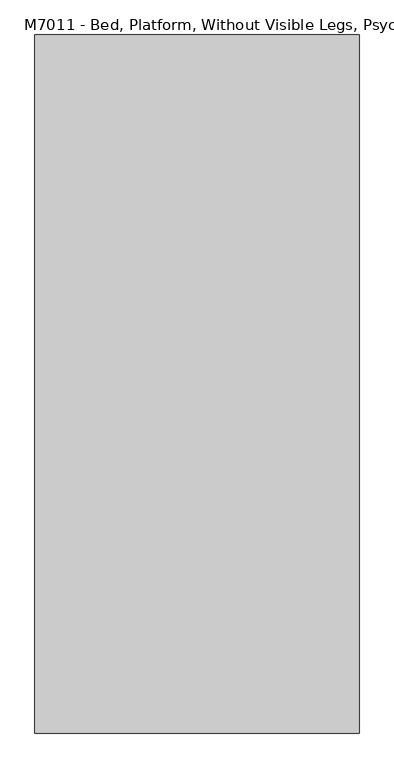
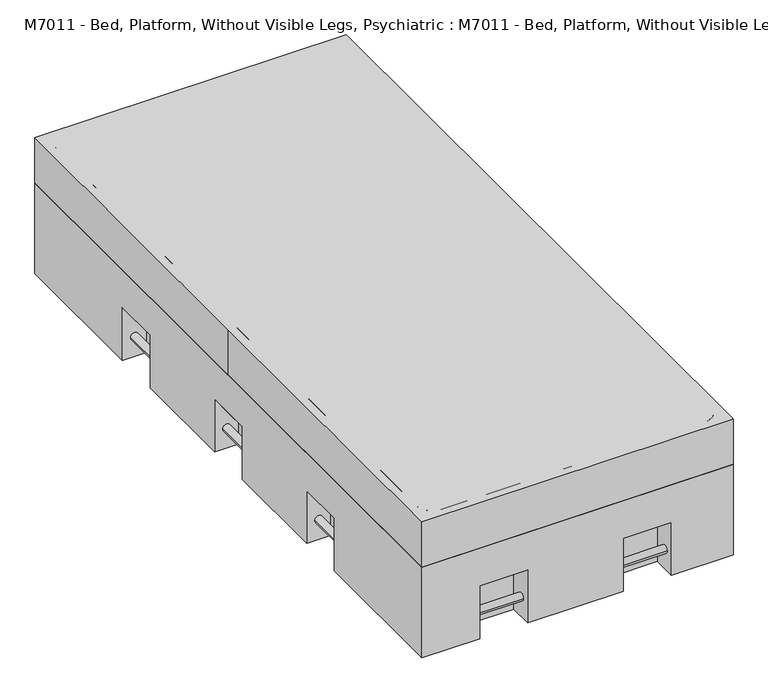
"""IFC4 building model written with IfcOpenShell, lengths in millimetres: proxy geometry, M7011 - Bed, Platform, Without Visible Legs, Psychiatric : M7011 - Bed, Platform, Without Visible Legs, Psychiatric."""

from ifc_helpers import new_model, si_unit, point, frame, frame_2d, origin, place, context, project, spatial, polyline, circle_curve, trimmed, segment, composite_curve, outline, extrude, faceted_brep, source, transform, mapped, element, save


def m7011_bed_platform_without_visible_legs_psychiatric_m7011_9daff7c2(model_context):
    return source(origin(), model_context, "Body", "SolidModel", [
        extrude(outline(composite_curve([segment(trimmed(circle_curve(frame_2d((68.0585065, -457.2)), 12.7), [point((68.0585065, -444.5))], [point((68.0585065, -469.9))], False, "CARTESIAN"), True, "CONTINUOUS"), segment(trimmed(circle_curve(frame_2d((68.0585065, -457.2)), 12.7), [point((68.0585065, -469.9))], [point((68.0585065, -444.5))], False, "CARTESIAN"), True, "CONTINUOUS")], self_intersect=False)), frame((0.0, -584.2, 0.0), z_axis=(0.0, 1.0, 0.0), x_axis=(0.0, 0.0, 1.0)), (0.0, 0.0, 1.0), 152.4),
        extrude(outline(composite_curve([segment(trimmed(circle_curve(frame_2d((68.0585065, -457.2)), 12.7), [point((68.0585065, -444.5))], [point((68.0585065, -469.9))], False, "CARTESIAN"), True, "CONTINUOUS"), segment(trimmed(circle_curve(frame_2d((68.0585065, -457.2)), 12.7), [point((68.0585065, -469.9))], [point((68.0585065, -444.5))], False, "CARTESIAN"), True, "CONTINUOUS")], self_intersect=False)), frame((0.0, 431.8, 0.0), z_axis=(0.0, 1.0, 0.0), x_axis=(0.0, 0.0, 1.0)), (0.0, 0.0, 1.0), 152.4),
        extrude(outline(composite_curve([segment(trimmed(circle_curve(frame_2d((68.0585065, -457.2)), 12.7), [point((68.0585065, -444.5))], [point((68.0585065, -469.9))], False, "CARTESIAN"), True, "CONTINUOUS"), segment(trimmed(circle_curve(frame_2d((68.0585065, -457.2)), 12.7), [point((68.0585065, -469.9))], [point((68.0585065, -444.5))], False, "CARTESIAN"), True, "CONTINUOUS")], self_intersect=False)), frame((0.0, -76.2, 0.0), z_axis=(0.0, 1.0, 0.0), x_axis=(0.0, 0.0, 1.0)), (0.0, 0.0, 1.0), 152.4),
        extrude(outline(composite_curve([segment(trimmed(circle_curve(frame_2d((68.0585065, 457.2)), 12.7), [point((68.0585065, 444.5))], [point((68.0585065, 469.9))], False, "CARTESIAN"), True, "CONTINUOUS"), segment(trimmed(circle_curve(frame_2d((68.0585065, 457.2)), 12.7), [point((68.0585065, 469.9))], [point((68.0585065, 444.5))], False, "CARTESIAN"), True, "CONTINUOUS")], self_intersect=False)), frame((0.0, -584.2, 0.0), z_axis=(0.0, 1.0, 0.0), x_axis=(0.0, 0.0, 1.0)), (0.0, 0.0, 1.0), 152.4),
        extrude(outline(composite_curve([segment(trimmed(circle_curve(frame_2d((68.0585065, 457.2)), 12.7), [point((68.0585065, 444.5))], [point((68.0585065, 469.9))], False, "CARTESIAN"), True, "CONTINUOUS"), segment(trimmed(circle_curve(frame_2d((68.0585065, 457.2)), 12.7), [point((68.0585065, 469.9))], [point((68.0585065, 444.5))], False, "CARTESIAN"), True, "CONTINUOUS")], self_intersect=False)), frame((0.0, 431.8, 0.0), z_axis=(0.0, 1.0, 0.0), x_axis=(0.0, 0.0, 1.0)), (0.0, 0.0, 1.0), 152.4),
        extrude(outline(composite_curve([segment(trimmed(circle_curve(frame_2d((68.0585065, 457.2)), 12.7), [point((68.0585065, 444.5))], [point((68.0585065, 469.9))], False, "CARTESIAN"), True, "CONTINUOUS"), segment(trimmed(circle_curve(frame_2d((68.0585065, 457.2)), 12.7), [point((68.0585065, 469.9))], [point((68.0585065, 444.5))], False, "CARTESIAN"), True, "CONTINUOUS")], self_intersect=False)), frame((0.0, -76.2, 0.0), z_axis=(0.0, 1.0, 0.0), x_axis=(0.0, 0.0, 1.0)), (0.0, 0.0, 1.0), 152.4),
        extrude(outline(composite_curve([segment(trimmed(circle_curve(frame_2d((1032.01787, 68.0585065)), 12.7), [point((1044.71787, 68.0585065))], [point((1019.31787, 68.0585065))], False, "CARTESIAN"), True, "CONTINUOUS"), segment(trimmed(circle_curve(frame_2d((1032.01787, 68.0585065)), 12.7), [point((1019.31787, 68.0585065))], [point((1044.71787, 68.0585065))], False, "CARTESIAN"), True, "CONTINUOUS")], self_intersect=False)), frame((-311.15, 0.0, 0.0), z_axis=(1.0, 0.0, 0.0), x_axis=(0.0, 1.0, 0.0)), (0.0, 0.0, 1.0), 152.4),
        extrude(outline(composite_curve([segment(trimmed(circle_curve(frame_2d((1032.01787, 68.0585065)), 12.7), [point((1044.71787, 68.0585065))], [point((1019.31787, 68.0585065))], False, "CARTESIAN"), True, "CONTINUOUS"), segment(trimmed(circle_curve(frame_2d((1032.01787, 68.0585065)), 12.7), [point((1019.31787, 68.0585065))], [point((1044.71787, 68.0585065))], False, "CARTESIAN"), True, "CONTINUOUS")], self_intersect=False)), frame((146.05, 0.0, 0.0), z_axis=(1.0, 0.0, 0.0), x_axis=(0.0, 1.0, 0.0)), (0.0, 0.0, 1.0), 152.4),
        extrude(outline(composite_curve([segment(trimmed(circle_curve(frame_2d((-1032.01787, 68.0585065)), 12.7), [point((-1044.71787, 68.0585065))], [point((-1019.31787, 68.0585065))], False, "CARTESIAN"), True, "CONTINUOUS"), segment(trimmed(circle_curve(frame_2d((-1032.01787, 68.0585065)), 12.7), [point((-1019.31787, 68.0585065))], [point((-1044.71787, 68.0585065))], False, "CARTESIAN"), True, "CONTINUOUS")], self_intersect=False)), frame((-311.15, 0.0, 0.0), z_axis=(1.0, 0.0, 0.0), x_axis=(0.0, 1.0, 0.0)), (0.0, 0.0, 1.0), 152.4),
        extrude(outline(composite_curve([segment(trimmed(circle_curve(frame_2d((-1032.01787, 68.0585065)), 12.7), [point((-1044.71787, 68.0585065))], [point((-1019.31787, 68.0585065))], False, "CARTESIAN"), True, "CONTINUOUS"), segment(trimmed(circle_curve(frame_2d((-1032.01787, 68.0585065)), 12.7), [point((-1019.31787, 68.0585065))], [point((-1044.71787, 68.0585065))], False, "CARTESIAN"), True, "CONTINUOUS")], self_intersect=False)), frame((146.05, 0.0, 0.0), z_axis=(1.0, 0.0, 0.0), x_axis=(0.0, 1.0, 0.0)), (0.0, 0.0, 1.0), 152.4),
        faceted_brep([(495.3, -1066.8, 304.8), (495.3, 1066.8, 304.8), (-495.3, 1066.8, 304.8), (-495.3, -1066.8, 304.8), (495.3, 1066.8, 0.0), (495.3, 584.2, 0.0), (419.1, 584.2, 0.0), (419.1, 431.8, 0.0), (495.3, 431.8, 0.0), (495.3, 76.2, 0.0), (419.1, 76.2, 0.0), (419.1, -76.2, 0.0), (495.3, -76.2, 0.0), (495.3, -431.8, 0.0), (419.1, -431.8, 0.0), (419.1, -584.2, 0.0), (495.3, -584.2, 0.0), (495.3, -1066.8, 0.0), (298.45, -1066.8, 0.0), (298.45, -990.6, 0.0), (146.05, -990.6, 0.0), (146.05, -1066.8, 0.0), (-158.75, -1066.8, 0.0), (-158.75, -990.6, 0.0), (-311.15, -990.6, 0.0), (-311.15, -1066.8, 0.0), (-495.3, -1066.8, 0.0), (-495.3, -584.2, 0.0), (-419.1, -584.2, 0.0), (-419.1, -431.8, 0.0), (-495.3, -431.8, 0.0), (-495.3, -76.2, 0.0), (-419.1, -76.2, 0.0), (-419.1, 76.2, 0.0), (-495.3, 76.2, 0.0), (-495.3, 431.8, 0.0), (-419.1, 431.8, 0.0), (-419.1, 584.2, 0.0), (-495.3, 584.2, 0.0), (-495.3, 1066.8, 0.0), (-311.15, 1066.8, 0.0), (-311.15, 990.6, 0.0), (-158.75, 990.6, 0.0), (-158.75, 1066.8, 0.0), (146.05, 1066.8, 0.0), (146.05, 990.6, 0.0), (298.45, 990.6, 0.0), (298.45, 1066.8, 0.0), (-311.15, -1066.8, 177.8), (-158.75, -1066.8, 177.8), (146.05, -1066.8, 177.8), (298.45, -1066.8, 177.8), (-495.3, 584.2, 177.8), (-495.3, 431.8, 177.8), (-495.3, 76.2, 177.8), (-495.3, -76.2, 177.8), (-495.3, -431.8, 177.8), (-495.3, -584.2, 177.8), (298.45, 1066.8, 177.8), (146.05, 1066.8, 177.8), (-158.75, 1066.8, 177.8), (-311.15, 1066.8, 177.8), (495.3, -584.2, 177.8), (495.3, -431.8, 177.8), (495.3, -76.2, 177.8), (495.3, 76.2, 177.8), (495.3, 431.8, 177.8), (495.3, 584.2, 177.8), (298.45, 990.6, 177.8), (146.05, 990.6, 177.8), (-158.75, 990.6, 177.8), (-311.15, 990.6, 177.8), (298.45, -990.6, 177.8), (146.05, -990.6, 177.8), (-158.75, -990.6, 177.8), (-311.15, -990.6, 177.8), (419.1, -76.2, 177.8), (419.1, 76.2, 177.8), (419.1, 431.8, 177.8), (419.1, 584.2, 177.8), (419.1, -431.8, 177.8), (419.1, -584.2, 177.8), (-419.1, -76.2, 177.8), (-419.1, 76.2, 177.8), (-419.1, 431.8, 177.8), (-419.1, 584.2, 177.8), (-419.1, -431.8, 177.8), (-419.1, -584.2, 177.8)], [[[0, 1, 2, 3]], [[4, 5, 6, 7, 8, 9, 10, 11, 12, 13, 14, 15, 16, 17, 18, 19, 20, 21, 22, 23, 24, 25, 26, 27, 28, 29, 30, 31, 32, 33, 34, 35, 36, 37, 38, 39, 40, 41, 42, 43, 44, 45, 46, 47]], [[3, 26, 25, 48, 49, 22, 21, 50, 51, 18, 17, 0]], [[2, 39, 38, 52, 53, 35, 34, 54, 55, 31, 30, 56, 57, 27, 26, 3]], [[1, 4, 47, 58, 59, 44, 43, 60, 61, 40, 39, 2]], [[0, 17, 16, 62, 63, 13, 12, 64, 65, 9, 8, 66, 67, 5, 4, 1]], [[58, 47, 46, 68]], [[45, 44, 59, 69]], [[46, 45, 69, 68]], [[68, 69, 59, 58]], [[60, 43, 42, 70]], [[41, 40, 61, 71]], [[42, 41, 71, 70]], [[70, 71, 61, 60]], [[19, 18, 51, 72]], [[50, 21, 20, 73]], [[51, 50, 73, 72]], [[72, 73, 20, 19]], [[23, 22, 49, 74]], [[48, 25, 24, 75]], [[49, 48, 75, 74]], [[74, 75, 24, 23]], [[64, 12, 11, 76]], [[10, 9, 65, 77]], [[11, 10, 77, 76]], [[76, 77, 65, 64]], [[66, 8, 7, 78]], [[6, 5, 67, 79]], [[7, 6, 79, 78]], [[78, 79, 67, 66]], [[14, 13, 63, 80]], [[62, 16, 15, 81]], [[80, 81, 15, 14]], [[63, 62, 81, 80]], [[32, 31, 55, 82]], [[54, 34, 33, 83]], [[82, 83, 33, 32]], [[55, 54, 83, 82]], [[36, 35, 53, 84]], [[52, 38, 37, 85]], [[84, 85, 37, 36]], [[53, 52, 85, 84]], [[56, 30, 29, 86]], [[28, 27, 57, 87]], [[29, 28, 87, 86]], [[86, 87, 57, 56]]]),
        faceted_brep([(-495.3, -1066.8, 457.2), (495.3, -1066.8, 457.2), (495.3, 1066.8, 457.2), (-495.3, 1066.8, 457.2), (-495.3, 0.0, 457.2), (495.3, 1066.8, 0.0), (495.3, 584.2, 0.0), (419.1, 584.2, 0.0), (419.1, 431.8, 0.0), (495.3, 431.8, 0.0), (495.3, 76.2, 0.0), (419.1, 76.2, 0.0), (419.1, -76.2, 0.0), (495.3, -76.2, 0.0), (495.3, -431.8, 0.0), (419.1, -431.8, 0.0), (419.1, -584.2, 0.0), (495.3, -584.2, 0.0), (495.3, -1066.8, 0.0), (298.45, -1066.8, 0.0), (298.45, -990.6, 0.0), (146.05, -990.6, 0.0), (146.05, -1066.8, 0.0), (-158.75, -1066.8, 0.0), (-158.75, -990.6, 0.0), (-311.15, -990.6, 0.0), (-311.15, -1066.8, 0.0), (-495.3, -1066.8, 0.0), (-495.3, -584.2, 0.0), (-419.1, -584.2, 0.0), (-419.1, -431.8, 0.0), (-495.3, -431.8, 0.0), (-495.3, -76.2, 0.0), (-419.1, -76.2, 0.0), (-419.1, 76.2, 0.0), (-495.3, 76.2, 0.0), (-495.3, 431.8, 0.0), (-419.1, 431.8, 0.0), (-419.1, 584.2, 0.0), (-495.3, 584.2, 0.0), (-495.3, 1066.8, 0.0), (-311.15, 1066.8, 0.0), (-311.15, 990.6, 0.0), (-158.75, 990.6, 0.0), (-158.75, 1066.8, 0.0), (146.05, 1066.8, 0.0), (146.05, 990.6, 0.0), (298.45, 990.6, 0.0), (298.45, 1066.8, 0.0), (-495.3, 0.0, 177.8), (-495.3, -76.2, 177.8), (-495.3, -431.8, 177.8), (-495.3, -584.2, 177.8), (-495.3, 584.2, 177.8), (-495.3, 431.8, 177.8), (-495.3, 76.2, 177.8), (298.45, 1066.8, 177.8), (146.05, 1066.8, 177.8), (-158.75, 1066.8, 177.8), (-311.15, 1066.8, 177.8), (495.3, -584.2, 177.8), (495.3, -431.8, 177.8), (495.3, -76.2, 177.8), (495.3, 76.2, 177.8), (495.3, 431.8, 177.8), (495.3, 584.2, 177.8), (-311.15, -1066.8, 177.8), (-158.75, -1066.8, 177.8), (146.05, -1066.8, 177.8), (298.45, -1066.8, 177.8), (298.45, 990.6, 177.8), (146.05, 990.6, 177.8), (-158.75, 990.6, 177.8), (-311.15, 990.6, 177.8), (298.45, -990.6, 177.8), (146.05, -990.6, 177.8), (-158.75, -990.6, 177.8), (-311.15, -990.6, 177.8), (419.1, -76.2, 177.8), (419.1, 76.2, 177.8), (419.1, 431.8, 177.8), (419.1, 584.2, 177.8), (419.1, -431.8, 177.8), (419.1, -584.2, 177.8), (-419.1, -76.2, 177.8), (-419.1, 76.2, 177.8), (-419.1, 431.8, 177.8), (-419.1, 584.2, 177.8), (-419.1, -431.8, 177.8), (-419.1, -584.2, 177.8)], [[[0, 1, 2, 3, 4]], [[5, 6, 7, 8, 9, 10, 11, 12, 13, 14, 15, 16, 17, 18, 19, 20, 21, 22, 23, 24, 25, 26, 27, 28, 29, 30, 31, 32, 33, 34, 35, 36, 37, 38, 39, 40, 41, 42, 43, 44, 45, 46, 47, 48]], [[4, 49, 50, 32, 31, 51, 52, 28, 27, 0]], [[3, 40, 39, 53, 54, 36, 35, 55, 49, 4]], [[2, 5, 48, 56, 57, 45, 44, 58, 59, 41, 40, 3]], [[1, 18, 17, 60, 61, 14, 13, 62, 63, 10, 9, 64, 65, 6, 5, 2]], [[0, 27, 26, 66, 67, 23, 22, 68, 69, 19, 18, 1]], [[56, 48, 47, 70]], [[46, 45, 57, 71]], [[47, 46, 71, 70]], [[70, 71, 57, 56]], [[58, 44, 43, 72]], [[42, 41, 59, 73]], [[43, 42, 73, 72]], [[72, 73, 59, 58]], [[20, 19, 69, 74]], [[68, 22, 21, 75]], [[69, 68, 75, 74]], [[74, 75, 21, 20]], [[24, 23, 67, 76]], [[66, 26, 25, 77]], [[67, 66, 77, 76]], [[76, 77, 25, 24]], [[62, 13, 12, 78]], [[11, 10, 63, 79]], [[12, 11, 79, 78]], [[78, 79, 63, 62]], [[64, 9, 8, 80]], [[7, 6, 65, 81]], [[8, 7, 81, 80]], [[80, 81, 65, 64]], [[15, 14, 61, 82]], [[60, 17, 16, 83]], [[82, 83, 16, 15]], [[61, 60, 83, 82]], [[33, 32, 50, 84]], [[55, 35, 34, 85]], [[84, 85, 34, 33]], [[50, 49, 55, 85, 84]], [[37, 36, 54, 86]], [[53, 39, 38, 87]], [[86, 87, 38, 37]], [[54, 53, 87, 86]], [[51, 31, 30, 88]], [[29, 28, 52, 89]], [[30, 29, 89, 88]], [[88, 89, 52, 51]]]),
        extrude(outline(composite_curve([segment(polyline([(419.1, -1041.4), (-419.1, -1041.4)]), True, "CONTINUOUS"), segment(trimmed(circle_curve(frame_2d((-419.1, -990.6)), 50.8), [point((-419.1, -1041.4))], [point((-469.9, -990.6))], False, "CARTESIAN"), True, "CONTINUOUS"), segment(polyline([(-469.9, -990.6), (-469.9, 990.6)]), True, "CONTINUOUS"), segment(trimmed(circle_curve(frame_2d((-419.1, 990.6)), 50.8), [point((-469.9, 990.6))], [point((-419.1, 1041.4))], False, "CARTESIAN"), True, "CONTINUOUS"), segment(polyline([(-419.1, 1041.4), (419.1, 1041.4)]), True, "CONTINUOUS"), segment(trimmed(circle_curve(frame_2d((419.1, 990.6)), 50.8), [point((419.1, 1041.4))], [point((469.9, 990.6))], False, "CARTESIAN"), True, "CONTINUOUS"), segment(polyline([(469.9, 990.6), (469.9, -990.6)]), True, "CONTINUOUS"), segment(trimmed(circle_curve(frame_2d((419.1, -990.6)), 50.8), [point((469.9, -990.6))], [point((419.1, -1041.4))], False, "CARTESIAN"), True, "CONTINUOUS")], self_intersect=False)), frame((0.0, 0.0, 304.8), z_axis=(0.0, 0.0, 1.0), x_axis=(1.0, 0.0, 0.0)), (0.0, 0.0, 1.0), 152.4),
    ])


if __name__ == "__main__":
    model = new_model("IFC4")
    model_context = context("Model", 3, world=origin())
    ifc_project = project(units=[si_unit("LENGTHUNIT", "METRE", prefix="MILLI")], contexts=[model_context])
    site = spatial("IfcSite", under=ifc_project)
    building = spatial("IfcBuilding", under=site)
    placement = place(None, origin())
    m7011_bed_platform_without_visible_legs_psychiatric_m7011_shape = m7011_bed_platform_without_visible_legs_psychiatric_m7011_9daff7c2(model_context)
    element("IfcBuildingElementProxy", 1, Name="M7011 - Bed, Platform, Without Visible Legs, Psychiatric : M7011 - Bed, Platform, Without Visible Legs, Psychiatric", ObjectType="M7011 - Bed, Platform, Without Visible Legs, Psychiatric : M7011 - Bed, Platform, Without Visible Legs, Psychiatric", at=placement, inside=building, context=model_context, shape_type="MappedRepresentation", body=[
        mapped(m7011_bed_platform_without_visible_legs_psychiatric_m7011_shape, transform((0.0, 0.0, 0.0), x_axis=(1.0, 0.0, 0.0), y_axis=(0.0, 1.0, 0.0), z_axis=(0.0, 0.0, 1.0))),
    ])
    save(model, "model.ifc")
